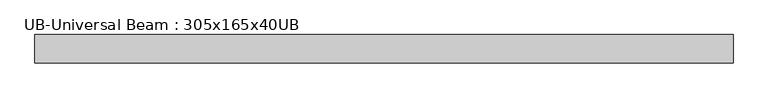
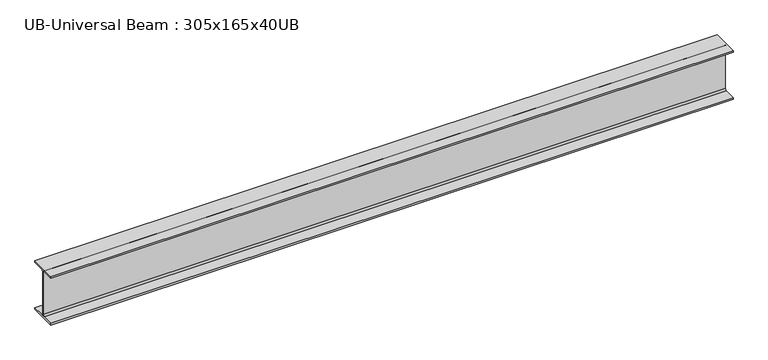
"""IFC4 building model written with IfcOpenShell, lengths in millimetres: beam geometry, UB-Universal Beam : 305x165x40UB."""

from ifc_helpers import new_model, si_unit, point, frame, frame_2d, origin, place, context, project, spatial, polyline, circle_curve, trimmed, segment, composite_curve, outline, extrude, source, transform, mapped, element, save


def ub_universal_beam_305x165x40ub_7cba419d(model_context):
    return source(origin(), model_context, "Body", "SweptSolid", [
        extrude(outline(composite_curve([segment(polyline([(82.5, -141.5), (82.5, -151.7), (-82.5, -151.7), (-82.5, -141.5), (-11.9, -141.5)]), True, "CONTINUOUS"), segment(trimmed(circle_curve(frame_2d((-11.9, -132.6)), 8.9), [point((-11.9, -141.5))], [point((-3.0, -132.6))], True, "CARTESIAN"), True, "CONTINUOUS"), segment(polyline([(-3.0, -132.6), (-3.0, 132.6)]), True, "CONTINUOUS"), segment(trimmed(circle_curve(frame_2d((-11.9, 132.6)), 8.9), [point((-3.0, 132.6))], [point((-11.9, 141.5))], True, "CARTESIAN"), True, "CONTINUOUS"), segment(polyline([(-11.9, 141.5), (-82.5, 141.5), (-82.5, 151.7), (82.5, 151.7), (82.5, 141.5), (11.9, 141.5)]), True, "CONTINUOUS"), segment(trimmed(circle_curve(frame_2d((11.9, 132.6)), 8.9), [point((11.9, 141.5))], [point((3.0, 132.6))], True, "CARTESIAN"), True, "CONTINUOUS"), segment(polyline([(3.0, 132.6), (3.0, -132.6)]), True, "CONTINUOUS"), segment(trimmed(circle_curve(frame_2d((11.9, -132.6)), 8.9), [point((3.0, -132.6))], [point((11.9, -141.5))], True, "CARTESIAN"), True, "CONTINUOUS"), segment(polyline([(11.9, -141.5), (82.5, -141.5)]), True, "CONTINUOUS")], self_intersect=False)), frame((-2025.425, 0.0, 0.0), z_axis=(1.0, 0.0, 0.0), x_axis=(0.0, 1.0, 0.0)), (0.0, 0.0, 1.0), 4050.85),
    ])


if __name__ == "__main__":
    model = new_model("IFC4")
    model_context = context("Model", 3, world=origin())
    ifc_project = project(units=[si_unit("LENGTHUNIT", "METRE", prefix="MILLI")], contexts=[model_context])
    site = spatial("IfcSite", under=ifc_project)
    building = spatial("IfcBuilding", under=site)
    placement = place(None, origin())
    ub_universal_beam_305x165x40ub_shape = ub_universal_beam_305x165x40ub_7cba419d(model_context)
    element("IfcBeam", 1, ObjectType="UB-Universal Beam : 305x165x40UB", at=placement, inside=building, context=model_context, shape_type="MappedRepresentation", body=[
        mapped(ub_universal_beam_305x165x40ub_shape, transform((0.0, 0.0, 0.0), x_axis=(1.0, 0.0, 0.0), y_axis=(0.0, 1.0, 0.0), z_axis=(0.0, 0.0, 1.0))),
    ])
    save(model, "model.ifc")
